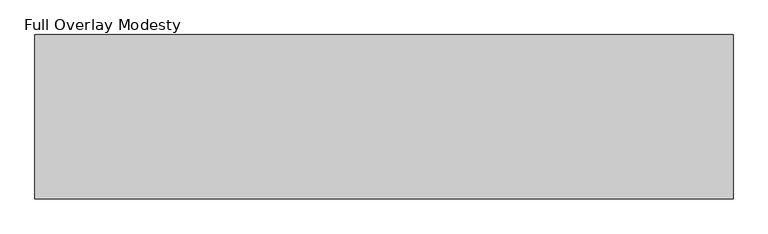
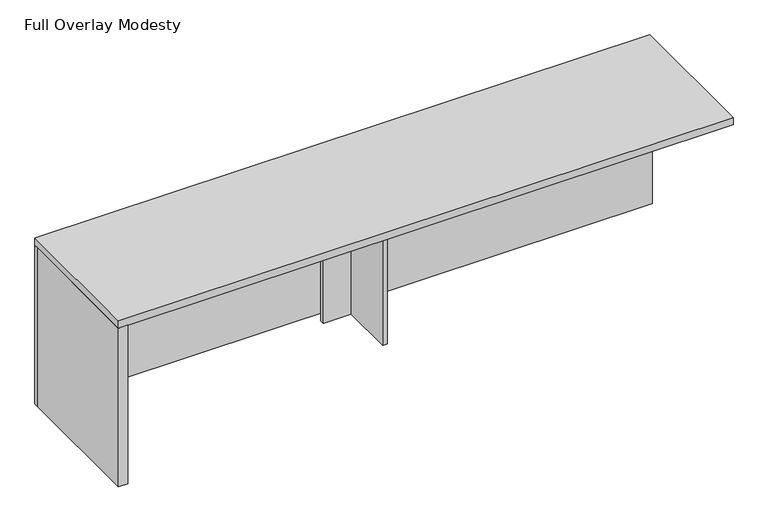
"""IFC4 building model written with IfcOpenShell, lengths in millimetres: furniture geometry, Full Overlay Modesty."""

from ifc_helpers import new_model, si_unit, frame, origin, origin_with_axes, place, context, project, spatial, polyline, outline, extrude, source, transform, mapped, element, save


def full_overlay_modesty_49659d16(model_context):
    return source(origin(), model_context, "Body", "SweptSolid", [
        extrude(outline(polyline([(747.7125, -336.55), (747.7125, -565.15), (728.6625, -565.15), (728.6625, -336.55), (747.7125, -336.55)])), origin_with_axes(), (0.0, 0.0, 1.0), 708.025),
        extrude(outline(polyline([(865.1875, -317.5), (865.1875, -336.55), (611.1875, -336.55), (611.1875, -317.5), (865.1875, -317.5)])), origin_with_axes(), (0.0, 0.0, 1.0), 708.025),
        extrude(outline(polyline([(-557.2125, -863.6), (-557.2125, -273.05), (-518.31875, -273.05), (-518.31875, -863.6), (-557.2125, -863.6)])), origin_with_axes(), (0.0, 0.0, 1.0), 708.025),
        extrude(outline(polyline([(2033.5875, -254.0), (2033.5875, -273.05), (-557.2125, -273.05), (-557.2125, -254.0), (2033.5875, -254.0)])), origin_with_axes(), (0.0, 0.0, 1.0), 708.025),
        extrude(outline(polyline([(-557.2125, -254.0), (2033.5875, -254.0), (2033.5875, -863.6), (-557.2125, -863.6), (-557.2125, -254.0)])), frame((0.0, 0.0, 708.025), z_axis=(0.0, 0.0, 1.0), x_axis=(1.0, 0.0, 0.0)), (0.0, 0.0, 1.0), 31.75),
    ])


if __name__ == "__main__":
    model = new_model("IFC4")
    model_context = context("Model", 3, world=origin())
    ifc_project = project(units=[si_unit("LENGTHUNIT", "METRE", prefix="MILLI")], contexts=[model_context])
    site = spatial("IfcSite", under=ifc_project)
    building = spatial("IfcBuilding", under=site)
    placement = place(None, origin())
    full_overlay_modesty_shape = full_overlay_modesty_49659d16(model_context)
    element("IfcFurniture", 1, ObjectType="Full Overlay Modesty", at=placement, inside=building, context=model_context, shape_type="MappedRepresentation", body=[
        mapped(full_overlay_modesty_shape, transform((0.0, 0.0, 0.0), x_axis=(1.0, 0.0, 0.0), y_axis=(0.0, 1.0, 0.0), z_axis=(0.0, 0.0, 1.0))),
    ])
    save(model, "model.ifc")
